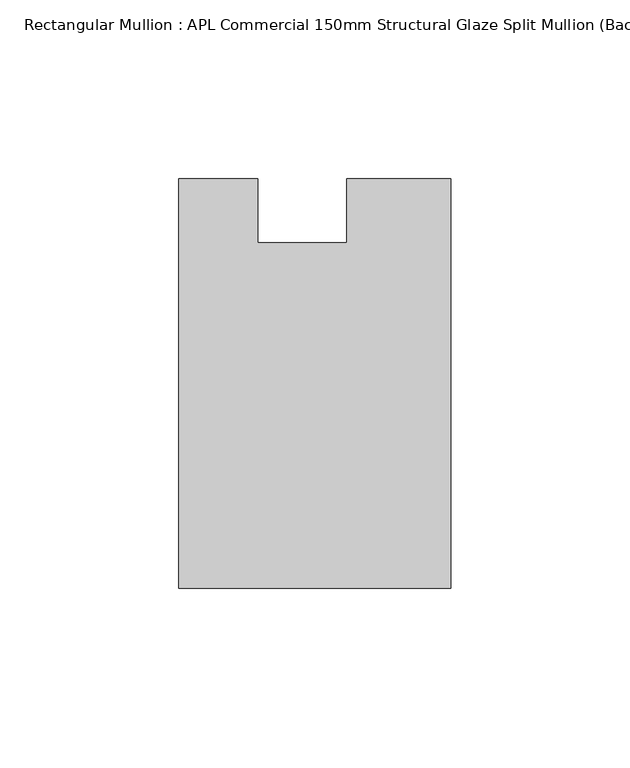
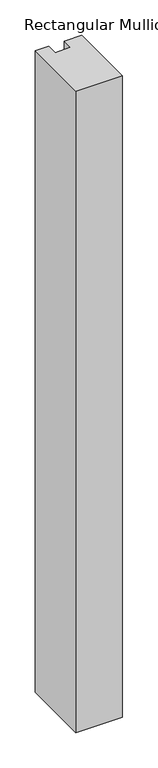
"""IFC4 building model written with IfcOpenShell, lengths in millimetres: member geometry, Rectangular Mullion : APL Commercial 150mm Structural Glaze Split Mullion (Back)."""

import ifcopenshell
import ifcopenshell.guid

model = None  # the IFC model being written
_history = None  # IfcOwnerHistory: only IFC2X3 demands one
_inside = {}  # id of a spatial element -> (the spatial element, [elements in it])
_under = {}  # id of a project, library or spatial element -> (it, [spatial elements below it])
_declared = {}  # id of a project -> (the project, [libraries it declares])
_typed = {}  # id of a type object -> (the type object, [elements of that type])
_made_of = {}  # id of a material, layer set ... -> (it, [elements and type objects made of it])


def new_model(schema):
    """Start an empty IFC model of exactly this schema.

    Asked for "IFC4X3", IfcOpenShell would pick the latest addendum, in which some entities
    have other attributes; the version numbers below select the first issue.
    IFC2X3 requires an IfcOwnerHistory on every rooted entity: one is made here for all.
    """
    global model, _history
    if schema == "IFC4X3":
        model = ifcopenshell.file(schema_version=(4, 3, 0, 0))
    else:
        model = ifcopenshell.file(schema=schema)
    _inside.clear()
    _under.clear()
    _declared.clear()
    _typed.clear()
    _made_of.clear()
    _history = None
    if model.schema == "IFC2X3":
        org = make("IfcOrganization", Name="unknown")
        user = make(
            "IfcPersonAndOrganization",
            ThePerson=make("IfcPerson", FamilyName="unknown"),
            TheOrganization=org,
        )
        app = make(
            "IfcApplication",
            ApplicationDeveloper=org,
            Version="unknown",
            ApplicationFullName="unknown",
            ApplicationIdentifier="unknown",
        )
        _history = make(
            "IfcOwnerHistory",
            OwningUser=user,
            OwningApplication=app,
            ChangeAction="ADDED",
            CreationDate=0,
        )
    return model


def make(cls, **values):
    """One entity of the class cls with the attributes given. An attribute that is None is left unset."""
    return model.create_entity(
        cls, **{name: value for name, value in values.items() if value is not None}
    )


def rooted(cls, **values):
    """An entity with a GlobalId (a new one), such as an element, a storey or a relation."""
    return make(cls, GlobalId=ifcopenshell.guid.new(), OwnerHistory=_history, **values)


def si_unit(unit_type, name, prefix=None):
    """IfcSIUnit, for example si_unit("LENGTHUNIT", "METRE", prefix="MILLI")."""
    return make("IfcSIUnit", UnitType=unit_type, Prefix=prefix, Name=name)


def assignment(units):
    """IfcUnitAssignment: the units of a project."""
    return None if units is None else make("IfcUnitAssignment", Units=units)


def point(xyz):
    """IfcCartesianPoint."""
    return None if xyz is None else make("IfcCartesianPoint", Coordinates=xyz)


def direction(xyz):
    """IfcDirection."""
    return None if xyz is None else make("IfcDirection", DirectionRatios=xyz)


def frame(location, z_axis=None, x_axis=None):
    """IfcAxis2Placement3D, a coordinate frame: its origin and axes. An axis left out is left unset."""
    return make(
        "IfcAxis2Placement3D",
        Location=point(location),
        Axis=direction(z_axis),
        RefDirection=direction(x_axis),
    )


def origin():
    """The frame at (0, 0, 0) with its axes left unset."""
    return frame((0.0, 0.0, 0.0))


def place(relative_to, where):
    """IfcLocalPlacement: puts the frame where relative to a parent placement (None: the world)."""
    return make(
        "IfcLocalPlacement", PlacementRelTo=relative_to, RelativePlacement=where
    )


def context(
    kind, dimensions, precision=None, world=None, true_north=None, identifier=None
):
    """IfcGeometricRepresentationContext, for example the 3D "Model" context."""
    return make(
        "IfcGeometricRepresentationContext",
        ContextIdentifier=identifier,
        ContextType=kind,
        CoordinateSpaceDimension=dimensions,
        Precision=precision,
        WorldCoordinateSystem=world,
        TrueNorth=true_north,
    )


def project(units=None, contexts=None):
    """IfcProject with its units and contexts."""
    return rooted(
        "IfcProject",
        Name="project",
        RepresentationContexts=contexts,
        UnitsInContext=assignment(units),
    )


def spatial(cls, under=None, at=None, **own):
    """A site, building, storey or space (cls), placed at a placement, below another one or the project."""
    s = rooted(cls, ObjectPlacement=at, **own)
    if under is not None:
        _under.setdefault(under.id(), (under, []))[1].append(s)
    return s


def polyline(points):
    """IfcPolyline through the points."""
    return make("IfcPolyline", Points=[point(p) for p in points])


def outline(outer, holes=None, kind="AREA"):
    """IfcArbitraryClosedProfileDef: a profile drawn as a closed curve; with holes, ...WithVoids."""
    if holes is None:
        return make("IfcArbitraryClosedProfileDef", ProfileType=kind, OuterCurve=outer)
    return make(
        "IfcArbitraryProfileDefWithVoids",
        ProfileType=kind,
        OuterCurve=outer,
        InnerCurves=holes,
    )


def extrude(swept, where, along, depth):
    """IfcExtrudedAreaSolid: the profile swept, set in the frame where, extruded along a direction by depth."""
    return make(
        "IfcExtrudedAreaSolid",
        SweptArea=swept,
        Position=where,
        ExtrudedDirection=direction(along),
        Depth=depth,
    )


def shape(context_of_items, identifier, shape_type, items):
    """IfcShapeRepresentation: the items that make up one representation, for example the "Body"."""
    return make(
        "IfcShapeRepresentation",
        ContextOfItems=context_of_items,
        RepresentationIdentifier=identifier,
        RepresentationType=shape_type,
        Items=items,
    )


def source(mapping_origin, context_of_items, identifier, shape_type, items):
    """IfcRepresentationMap: a shape defined once, which mapped items show again and again."""
    return make(
        "IfcRepresentationMap",
        MappingOrigin=mapping_origin,
        MappedRepresentation=shape(context_of_items, identifier, shape_type, items),
    )


def transform(
    local_origin,
    x_axis=None,
    y_axis=None,
    z_axis=None,
    scale=None,
    scale2=None,
    scale3=None,
    uniform=True,
):
    """IfcCartesianTransformationOperator3D, or its non-uniform kind. x_axis, y_axis, z_axis: its Axis1, 2, 3."""
    if uniform:
        return make(
            "IfcCartesianTransformationOperator3D",
            Axis1=direction(x_axis),
            Axis2=direction(y_axis),
            LocalOrigin=point(local_origin),
            Scale=scale,
            Axis3=direction(z_axis),
        )
    return make(
        "IfcCartesianTransformationOperator3DnonUniform",
        Axis1=direction(x_axis),
        Axis2=direction(y_axis),
        LocalOrigin=point(local_origin),
        Scale=scale,
        Axis3=direction(z_axis),
        Scale2=scale2,
        Scale3=scale3,
    )


def mapped(mapping_source, mapping_target):
    """IfcMappedItem: shows the shape of a source again, moved by a transform."""
    return make(
        "IfcMappedItem", MappingSource=mapping_source, MappingTarget=mapping_target
    )


def made_of(thing, what):
    """Note that an element or type object is made of a material, layer set ...; save() writes the relation."""
    if what is not None:
        _made_of.setdefault(what.id(), (what, []))[1].append(thing)
    return thing


def element(
    cls,
    number,
    at=None,
    inside=None,
    cuts=None,
    type_object=None,
    material=None,
    context=None,
    identifier="Body",
    shape_type=None,
    held_by="IfcProductDefinitionShape",
    body=None,
    shapes=None,
    **own,
):
    """One element of the class cls, such as IfcWall. Its Tag is "e" and its number.

    at: its placement. inside: the storey or other place that contains it. cuts: it is an
    opening in that element (IfcRelVoidsElement). A single representation is given by context,
    identifier, shape_type and body (its items); several are given by shapes. held_by: the class
    of the entity that holds the representations. save() writes the other relations.
    """
    e = rooted(cls, Tag="e%d" % number, ObjectPlacement=at, **own)
    if body is not None:
        shapes = [shape(context, identifier, shape_type, body)]
    if shapes is not None:
        e.Representation = make(held_by, Representations=shapes)
    if inside is not None:
        _inside.setdefault(inside.id(), (inside, []))[1].append(e)
    if cuts is not None:
        rooted(
            "IfcRelVoidsElement", RelatingBuildingElement=cuts, RelatedOpeningElement=e
        )
    if type_object is not None:
        _typed.setdefault(type_object.id(), (type_object, []))[1].append(e)
    return made_of(e, material)


def aggregate(whole, parts):
    """IfcRelAggregates: a whole, such as a stair, and the parts it consists of."""
    return rooted("IfcRelAggregates", RelatingObject=whole, RelatedObjects=parts)


def save(model, path):
    """Write the relations noted so far, then the file.

    IfcRelAggregates (storeys below a building ...), IfcRelContainedInSpatialStructure (elements
    in a storey), IfcRelDefinesByType, IfcRelAssociatesMaterial and IfcRelDeclares: one each for
    every whole, place, type object, material and project.
    """
    for whole, parts in _under.values():
        aggregate(whole, parts)
    for where, things in _inside.values():
        rooted(
            "IfcRelContainedInSpatialStructure",
            RelatedElements=things,
            RelatingStructure=where,
        )
    for kind, things in _typed.values():
        rooted("IfcRelDefinesByType", RelatedObjects=things, RelatingType=kind)
    for what, things in _made_of.values():
        rooted("IfcRelAssociatesMaterial", RelatedObjects=things, RelatingMaterial=what)
    for by, libraries in _declared.values():
        rooted("IfcRelDeclares", RelatingContext=by, RelatedDefinitions=libraries)
    model.write(path)


def rectangular_mullion_apl_commercial_150mm_structural_glaze_bb556e3e(model_context):
    return source(origin(), model_context, "Body", "SweptSolid", [
        extrude(outline(polyline([(37.9999914, -129.5195626), (-37.9999896, -129.5195626), (-37.9999896, -14.9960123), (-16.0, -14.9960123), (-16.0, -32.7960123), (9.0, -32.7960123), (9.0, -14.9960123), (37.9999914, -14.9960123), (37.9999914, -129.5195626)])), frame((0.0, 0.0, -1107.4975005), z_axis=(0.0, 0.0, 1.0), x_axis=(1.0, 0.0, 0.0)), (0.0, 0.0, 1.0), 1107.4975005),
    ])


if __name__ == "__main__":
    model = new_model("IFC4")
    model_context = context("Model", 3, world=origin())
    ifc_project = project(units=[si_unit("LENGTHUNIT", "METRE", prefix="MILLI")], contexts=[model_context])
    site = spatial("IfcSite", under=ifc_project)
    building = spatial("IfcBuilding", under=site)
    placement = place(None, origin())
    rectangular_mullion_apl_commercial_150mm_structural_glaze_shape = rectangular_mullion_apl_commercial_150mm_structural_glaze_bb556e3e(model_context)
    element("IfcMember", 1, ObjectType="Rectangular Mullion : APL Commercial 150mm Structural Glaze Split Mullion (Back)", at=placement, inside=building, context=model_context, shape_type="MappedRepresentation", body=[
        mapped(rectangular_mullion_apl_commercial_150mm_structural_glaze_shape, transform((0.0, 0.0, 0.0), x_axis=(1.0, 0.0, 0.0), y_axis=(0.0, 1.0, 0.0), z_axis=(0.0, 0.0, 1.0))),
    ])
    save(model, "model.ifc")
